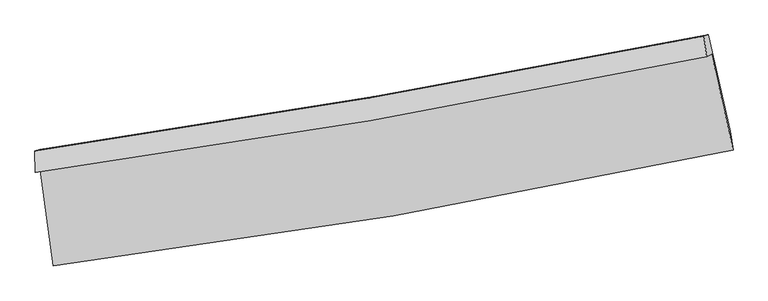
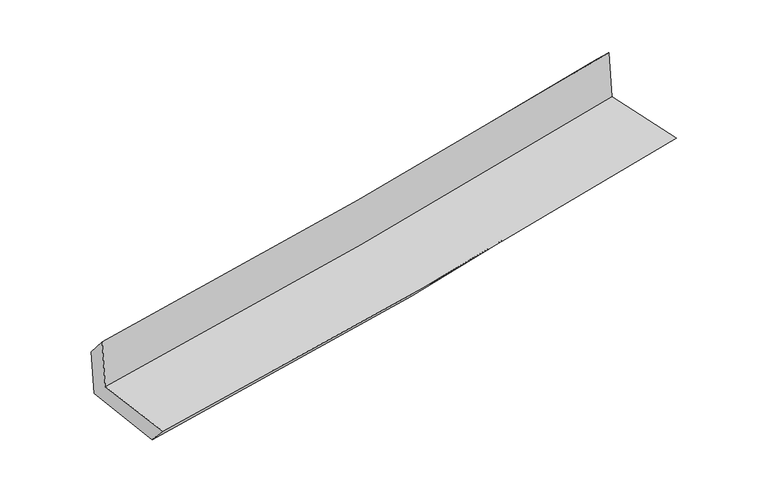
"""IFC4 building model written with IfcOpenShell, lengths in millimetres: proxy geometry."""

import ifcopenshell
import ifcopenshell.guid

model = None  # the IFC model being written
_history = None  # IfcOwnerHistory: only IFC2X3 demands one
_inside = {}  # id of a spatial element -> (the spatial element, [elements in it])
_under = {}  # id of a project, library or spatial element -> (it, [spatial elements below it])
_declared = {}  # id of a project -> (the project, [libraries it declares])
_typed = {}  # id of a type object -> (the type object, [elements of that type])
_made_of = {}  # id of a material, layer set ... -> (it, [elements and type objects made of it])


def new_model(schema):
    """Start an empty IFC model of exactly this schema.

    Asked for "IFC4X3", IfcOpenShell would pick the latest addendum, in which some entities
    have other attributes; the version numbers below select the first issue.
    IFC2X3 requires an IfcOwnerHistory on every rooted entity: one is made here for all.
    """
    global model, _history
    if schema == "IFC4X3":
        model = ifcopenshell.file(schema_version=(4, 3, 0, 0))
    else:
        model = ifcopenshell.file(schema=schema)
    _inside.clear()
    _under.clear()
    _declared.clear()
    _typed.clear()
    _made_of.clear()
    _history = None
    if model.schema == "IFC2X3":
        org = make("IfcOrganization", Name="unknown")
        user = make(
            "IfcPersonAndOrganization",
            ThePerson=make("IfcPerson", FamilyName="unknown"),
            TheOrganization=org,
        )
        app = make(
            "IfcApplication",
            ApplicationDeveloper=org,
            Version="unknown",
            ApplicationFullName="unknown",
            ApplicationIdentifier="unknown",
        )
        _history = make(
            "IfcOwnerHistory",
            OwningUser=user,
            OwningApplication=app,
            ChangeAction="ADDED",
            CreationDate=0,
        )
    return model


def make(cls, **values):
    """One entity of the class cls with the attributes given. An attribute that is None is left unset."""
    return model.create_entity(
        cls, **{name: value for name, value in values.items() if value is not None}
    )


def rooted(cls, **values):
    """An entity with a GlobalId (a new one), such as an element, a storey or a relation."""
    return make(cls, GlobalId=ifcopenshell.guid.new(), OwnerHistory=_history, **values)


def si_unit(unit_type, name, prefix=None):
    """IfcSIUnit, for example si_unit("LENGTHUNIT", "METRE", prefix="MILLI")."""
    return make("IfcSIUnit", UnitType=unit_type, Prefix=prefix, Name=name)


def assignment(units):
    """IfcUnitAssignment: the units of a project."""
    return None if units is None else make("IfcUnitAssignment", Units=units)


def point(xyz):
    """IfcCartesianPoint."""
    return None if xyz is None else make("IfcCartesianPoint", Coordinates=xyz)


def direction(xyz):
    """IfcDirection."""
    return None if xyz is None else make("IfcDirection", DirectionRatios=xyz)


def frame(location, z_axis=None, x_axis=None):
    """IfcAxis2Placement3D, a coordinate frame: its origin and axes. An axis left out is left unset."""
    return make(
        "IfcAxis2Placement3D",
        Location=point(location),
        Axis=direction(z_axis),
        RefDirection=direction(x_axis),
    )


def origin():
    """The frame at (0, 0, 0) with its axes left unset."""
    return frame((0.0, 0.0, 0.0))


def place(relative_to, where):
    """IfcLocalPlacement: puts the frame where relative to a parent placement (None: the world)."""
    return make(
        "IfcLocalPlacement", PlacementRelTo=relative_to, RelativePlacement=where
    )


def context(
    kind, dimensions, precision=None, world=None, true_north=None, identifier=None
):
    """IfcGeometricRepresentationContext, for example the 3D "Model" context."""
    return make(
        "IfcGeometricRepresentationContext",
        ContextIdentifier=identifier,
        ContextType=kind,
        CoordinateSpaceDimension=dimensions,
        Precision=precision,
        WorldCoordinateSystem=world,
        TrueNorth=true_north,
    )


def project(units=None, contexts=None):
    """IfcProject with its units and contexts."""
    return rooted(
        "IfcProject",
        Name="project",
        RepresentationContexts=contexts,
        UnitsInContext=assignment(units),
    )


def spatial(cls, under=None, at=None, **own):
    """A site, building, storey or space (cls), placed at a placement, below another one or the project."""
    s = rooted(cls, ObjectPlacement=at, **own)
    if under is not None:
        _under.setdefault(under.id(), (under, []))[1].append(s)
    return s


def shape(context_of_items, identifier, shape_type, items):
    """IfcShapeRepresentation: the items that make up one representation, for example the "Body"."""
    return make(
        "IfcShapeRepresentation",
        ContextOfItems=context_of_items,
        RepresentationIdentifier=identifier,
        RepresentationType=shape_type,
        Items=items,
    )


def source(mapping_origin, context_of_items, identifier, shape_type, items):
    """IfcRepresentationMap: a shape defined once, which mapped items show again and again."""
    return make(
        "IfcRepresentationMap",
        MappingOrigin=mapping_origin,
        MappedRepresentation=shape(context_of_items, identifier, shape_type, items),
    )


def transform(
    local_origin,
    x_axis=None,
    y_axis=None,
    z_axis=None,
    scale=None,
    scale2=None,
    scale3=None,
    uniform=True,
):
    """IfcCartesianTransformationOperator3D, or its non-uniform kind. x_axis, y_axis, z_axis: its Axis1, 2, 3."""
    if uniform:
        return make(
            "IfcCartesianTransformationOperator3D",
            Axis1=direction(x_axis),
            Axis2=direction(y_axis),
            LocalOrigin=point(local_origin),
            Scale=scale,
            Axis3=direction(z_axis),
        )
    return make(
        "IfcCartesianTransformationOperator3DnonUniform",
        Axis1=direction(x_axis),
        Axis2=direction(y_axis),
        LocalOrigin=point(local_origin),
        Scale=scale,
        Axis3=direction(z_axis),
        Scale2=scale2,
        Scale3=scale3,
    )


def mapped(mapping_source, mapping_target):
    """IfcMappedItem: shows the shape of a source again, moved by a transform."""
    return make(
        "IfcMappedItem", MappingSource=mapping_source, MappingTarget=mapping_target
    )


def made_of(thing, what):
    """Note that an element or type object is made of a material, layer set ...; save() writes the relation."""
    if what is not None:
        _made_of.setdefault(what.id(), (what, []))[1].append(thing)
    return thing


def element(
    cls,
    number,
    at=None,
    inside=None,
    cuts=None,
    type_object=None,
    material=None,
    context=None,
    identifier="Body",
    shape_type=None,
    held_by="IfcProductDefinitionShape",
    body=None,
    shapes=None,
    **own,
):
    """One element of the class cls, such as IfcWall. Its Tag is "e" and its number.

    at: its placement. inside: the storey or other place that contains it. cuts: it is an
    opening in that element (IfcRelVoidsElement). A single representation is given by context,
    identifier, shape_type and body (its items); several are given by shapes. held_by: the class
    of the entity that holds the representations. save() writes the other relations.
    """
    e = rooted(cls, Tag="e%d" % number, ObjectPlacement=at, **own)
    if body is not None:
        shapes = [shape(context, identifier, shape_type, body)]
    if shapes is not None:
        e.Representation = make(held_by, Representations=shapes)
    if inside is not None:
        _inside.setdefault(inside.id(), (inside, []))[1].append(e)
    if cuts is not None:
        rooted(
            "IfcRelVoidsElement", RelatingBuildingElement=cuts, RelatedOpeningElement=e
        )
    if type_object is not None:
        _typed.setdefault(type_object.id(), (type_object, []))[1].append(e)
    return made_of(e, material)


def aggregate(whole, parts):
    """IfcRelAggregates: a whole, such as a stair, and the parts it consists of."""
    return rooted("IfcRelAggregates", RelatingObject=whole, RelatedObjects=parts)


def save(model, path):
    """Write the relations noted so far, then the file.

    IfcRelAggregates (storeys below a building ...), IfcRelContainedInSpatialStructure (elements
    in a storey), IfcRelDefinesByType, IfcRelAssociatesMaterial and IfcRelDeclares: one each for
    every whole, place, type object, material and project.
    """
    for whole, parts in _under.values():
        aggregate(whole, parts)
    for where, things in _inside.values():
        rooted(
            "IfcRelContainedInSpatialStructure",
            RelatedElements=things,
            RelatingStructure=where,
        )
    for kind, things in _typed.values():
        rooted("IfcRelDefinesByType", RelatedObjects=things, RelatingType=kind)
    for what, things in _made_of.values():
        rooted("IfcRelAssociatesMaterial", RelatedObjects=things, RelatingMaterial=what)
    for by, libraries in _declared.values():
        rooted("IfcRelDeclares", RelatingContext=by, RelatedDefinitions=libraries)
    model.write(path)


def plane_surface(at):
    """IfcPlane: the flat surface through the origin of the frame at, square to its z axis."""
    return make("IfcPlane", Position=at)


def spline_curve(degree, points, multiplicities, knots, weights=None):
    """IfcBSplineCurveWithKnots; with weights, IfcRationalBSplineCurveWithKnots."""
    own = dict(
        Degree=degree,
        ControlPointsList=[point(p) for p in points],
        CurveForm="UNSPECIFIED",
        ClosedCurve=False,
        SelfIntersect=False,
        KnotMultiplicities=multiplicities,
        Knots=knots,
        KnotSpec="UNSPECIFIED",
    )
    if weights is None:
        return make("IfcBSplineCurveWithKnots", **own)
    return make("IfcRationalBSplineCurveWithKnots", WeightsData=weights, **own)


def spline_surface(u_degree, v_degree, points, u_multiplicities, v_multiplicities, u_knots, v_knots, weights=None):
    """IfcBSplineSurfaceWithKnots; with weights, IfcRationalBSplineSurfaceWithKnots. points: one row for each step in u."""
    own = dict(
        UDegree=u_degree,
        VDegree=v_degree,
        ControlPointsList=[[point(p) for p in row] for row in points],
        SurfaceForm="UNSPECIFIED",
        UClosed=False,
        VClosed=False,
        SelfIntersect=False,
        UMultiplicities=u_multiplicities,
        VMultiplicities=v_multiplicities,
        UKnots=u_knots,
        VKnots=v_knots,
        KnotSpec="UNSPECIFIED",
    )
    if weights is None:
        return make("IfcBSplineSurfaceWithKnots", **own)
    return make("IfcRationalBSplineSurfaceWithKnots", WeightsData=weights, **own)


def advanced_brep(points, edges, surfaces, faces):
    """IfcAdvancedBrep: a solid bounded by faces that lie on surfaces and meet in shared edges.

    An edge is (start, end): straight between two places in points (the first is 0);
    or (start, end, curve); or (start, end, curve, False) where it runs against its curve.
    A face is (place in surfaces, loops), or (place, loops, False) where it looks against
    its surface's normal. A loop lists edges by number (the first is 1), with a minus sign
    where the edge is run from its end to its start. The first loop is the outer one.
    """
    corners = [point(p) for p in points]
    vertices = [make("IfcVertexPoint", VertexGeometry=c) for c in corners]
    made = []
    for start, end, *more in edges:
        made.append(
            make(
                "IfcEdgeCurve",
                EdgeStart=vertices[start],
                EdgeEnd=vertices[end],
                EdgeGeometry=more[0] if more else make("IfcPolyline", Points=[corners[start], corners[end]]),
                SameSense=more[1] if len(more) > 1 else True,
            )
        )
    hull = []
    for where, loops, *sense in faces:
        bounds = []
        for j, loop in enumerate(loops):
            ring = [make("IfcOrientedEdge", EdgeElement=made[abs(k) - 1], Orientation=k > 0) for k in loop]
            bounds.append(
                make(
                    "IfcFaceOuterBound" if j == 0 else "IfcFaceBound",
                    Bound=make("IfcEdgeLoop", EdgeList=ring),
                    Orientation=True,
                )
            )
        hull.append(make("IfcAdvancedFace", Bounds=bounds, FaceSurface=surfaces[where], SameSense=sense[0] if sense else True))
    return make("IfcAdvancedBrep", Outer=make("IfcClosedShell", CfsFaces=hull))


def generic_models_c83c44bc(model_context):
    return source(origin(), model_context, "Body", "AdvancedBrep", [
        advanced_brep(
        [(-2322.3265664, -1880.0519827, 1696.6699696), (-2233.914282, -2535.9224996, 1681.8875764), (2412.7370594, -1742.8735145, 2100.7664573), (2265.5061311, -1087.3079647, 2110.5749951), (-2356.5751259, -1896.0278086, 2107.4367277), (2232.0160419, -1102.9021471, 2511.0799835), (-2360.4972323, -1747.7108395, 1929.2705232), (2213.2148517, -962.8698826, 2376.1579727), (-2328.7046871, -1738.5188624, 1556.4172596), (2244.2566561, -953.9535675, 2018.3222463), (-2238.4378068, -2396.0854912, 1523.2330185), (2393.5515677, -1611.0515476, 1989.8599423)],
        [
            (0, 1),
            (1, 2, spline_curve(3, [(-2233.914282, -2535.9224996, 1681.8875764), (-1456.429641489, -2438.591242221, 1753.898702395), (-682.025226178, -2324.176002469, 1824.674217379), (866.908962595, -2060.105923076, 1964.320731862), (1641.388327781, -1910.17150084, 2033.17151066), (2412.7370594, -1742.8735145, 2100.7664573)], [4, 2, 4], [0.0, 7.685887283805083, 15.434409732792407])),
            (2, 3),
            (3, 0, spline_curve(3, [(2265.5061311, -1087.3079647, 2110.5749951), (1502.267224426, -1247.621136394, 2043.904691783), (736.767733224, -1394.051703269, 1975.93221755), (-792.546231838, -1658.076176553, 1837.942908502), (-1556.324306387, -1775.893615529, 1767.947041095), (-2322.3265664, -1880.0519827, 1696.6699696)], [4, 2, 4], [0.0, 7.748522448987324, 15.434409732792407])),
            (4, 0),
            (3, 5),
            (5, 4, spline_curve(3, [(2232.0160419, -1102.9021471, 2511.0799835), (1468.662150561, -1263.27242573, 2445.964840375), (703.041680222, -1409.763492366, 2379.628892867), (-826.52520465, -1673.915234779, 2245.061483997), (-1590.435123658, -1791.799388574, 2176.849679618), (-2356.5751259, -1896.0278086, 2107.4367277)], [4, 2, 4], [0.0, 7.700095784721111, 15.337947861100368])),
            (6, 4),
            (5, 7),
            (7, 6, spline_curve(3, [(2213.2148517, -962.8698826, 2376.1579727), (1450.789009162, -1113.538706557, 2302.438042703), (686.880687799, -1254.502724153, 2228.184170574), (-837.713877051, -1515.960113084, 2079.213090164), (-1598.376250685, -1636.609747624, 2004.504478808), (-2360.4972323, -1747.7108395, 1929.2705232)], [4, 2, 4], [0.0, 7.6896022817952066, 15.317045679457745])),
            (8, 6),
            (7, 9),
            (9, 8, spline_curve(3, [(2244.2566561, -953.9535675, 2018.3222463), (1483.255889449, -1104.207258547, 1927.103389585), (720.120285144, -1244.941393414, 1842.873921979), (-804.23453691, -1506.309877811, 1689.018133641), (-1565.4193805, -1627.097507929, 1619.279272669), (-2328.7046871, -1738.5188624, 1556.4172596)], [4, 2, 4], [0.0, 7.679934845428454, 15.297788953426105])),
            (10, 8),
            (9, 11),
            (11, 10, spline_curve(3, [(2393.5515677, -1611.0515476, 1989.8599423), (1624.433537448, -1768.354557268, 1897.571666648), (852.296763945, -1912.638419483, 1812.412964037), (-691.748300932, -2174.106770867, 1656.985454066), (-1463.60798571, -2291.500889938, 1586.601848699), (-2238.4378068, -2396.0854912, 1523.2330185)], [4, 2, 4], [0.0, 7.729291566167446, 15.396103419954132])),
            (1, 10),
            (11, 2),
        ],
        [
            spline_surface(3, 3, [[(-2322.3265664, -1880.0519827, 1696.6699696), (-1556.324306344, -1775.893615537, 1767.947041024), (-792.5462318, -1658.076176464, 1837.94290856), (736.767733185, -1394.051703358, 1975.932217491), (1502.267224471, -1247.62113641, 2043.904691801), (2265.5061311, -1087.3079647, 2110.5749951)], [(-2292.855804935, -2098.675488332, 1691.742505213), (-1523.026084717, -1996.792824422, 1763.264261466), (-755.705896588, -1880.109451857, 1833.520011457), (780.148143018, -1616.069776587, 1972.06172228), (1548.640925599, -1468.471257898, 2040.326964737), (2314.583107202, -1305.829814636, 2107.305482519)], [(-2263.385043465, -2317.298993968, 1686.815040787), (-1489.727863083, -2217.69203331, 1758.581481871), (-718.865561428, -2102.142727179, 1829.097114421), (823.528552799, -1838.087849743, 1968.191227134), (1595.014626721, -1689.321379377, 2036.749237615), (2363.660083298, -1524.351664564, 2104.035969881)], [(-2233.914282, -2535.9224996, 1681.8875764), (-1456.429641455, -2438.591242195, 1753.898702314), (-682.025226216, -2324.176002573, 1824.674217319), (866.908962633, -2060.105922972, 1964.320731923), (1641.388327849, -1910.171500865, 2033.17151055), (2412.7370594, -1742.8735145, 2100.7664573)]], [4, 4], [4, 2, 4], [0.0, 2.2210860860981967], [0.0, 7.685887283805083, 15.434409732792407]),
            spline_surface(3, 3, [[(-2356.5751259, -1896.0278086, 2107.4367277), (-1590.43512368, -1791.799388448, 2176.849679506), (-826.525204686, -1673.915234696, 2245.061483983), (703.041680259, -1409.763492449, 2379.628892881), (1468.662150509, -1263.272425699, 2445.964840345), (2232.0160419, -1102.9021471, 2511.0799835)], [(-2345.158939406, -1890.702533287, 1970.514474979), (-1579.064851241, -1786.497464131, 2040.548799991), (-815.198880405, -1668.635548599, 2109.355292192), (714.283697886, -1404.526229399, 2245.063334434), (1479.863841813, -1258.055329266, 2311.944790808), (2243.17940495, -1097.704086297, 2377.578320677)], [(-2333.742752894, -1885.377258013, 1833.592222321), (-1567.694578783, -1781.195539854, 1904.247920539), (-803.87255608, -1663.355862561, 1973.649100351), (725.525715558, -1399.288966408, 2110.497775938), (1491.065533167, -1252.838232843, 2177.924741339), (2254.34276805, -1092.506025503, 2244.076657923)], [(-2322.3265664, -1880.0519827, 1696.6699696), (-1556.324306344, -1775.893615537, 1767.947041024), (-792.5462318, -1658.076176464, 1837.94290856), (736.767733185, -1394.051703358, 1975.932217491), (1502.267224471, -1247.62113641, 2043.904691801), (2265.5061311, -1087.3079647, 2110.5749951)]], [4, 4], [4, 2, 4], [0.0, 1.3356639603549783], [0.0, 7.637852076379256, 15.337947861100368]),
            spline_surface(3, 3, [[(-2360.4972323, -1747.7108395, 1929.2705232), (-1598.376250564, -1636.609747743, 2004.504478931), (-837.713877131, -1515.960113061, 2079.213090118), (686.880687879, -1254.502724176, 2228.18417062), (1450.78900914, -1113.538706576, 2302.438042623), (2213.2148517, -962.8698826, 2376.1579727)], [(-2359.189863503, -1797.149829188, 1988.659258049), (-1595.729208273, -1688.339627966, 2061.952879139), (-833.984319634, -1568.611820279, 2134.49588806), (692.267685355, -1306.256313607, 2278.665744694), (1456.746722951, -1163.449946281, 2350.280308553), (2219.481915121, -1009.547304098, 2421.131976323)], [(-2357.882494697, -1846.588818912, 2048.047992851), (-1593.082165971, -1740.069508225, 2119.401279299), (-830.254762184, -1621.263527478, 2189.778686041), (697.654682783, -1358.009903018, 2329.147318807), (1462.704436698, -1213.361185993, 2398.122574415), (2225.748978479, -1056.224725602, 2466.105979877)], [(-2356.5751259, -1896.0278086, 2107.4367277), (-1590.43512368, -1791.799388448, 2176.849679506), (-826.525204686, -1673.915234696, 2245.061483983), (703.041680259, -1409.763492449, 2379.628892881), (1468.662150509, -1263.272425699, 2445.964840345), (2232.0160419, -1102.9021471, 2511.0799835)]], [4, 4], [4, 2, 4], [0.0, 0.7325924379231494], [0.0, 7.627443397662539, 15.317045679457745]),
            spline_surface(3, 3, [[(-2328.7046871, -1738.5188624, 1556.4172596), (-1565.419380379, -1627.097507882, 1619.2792726), (-804.234536946, -1506.309877802, 1689.018133715), (720.120285181, -1244.941393424, 1842.873921905), (1483.255889527, -1104.207258541, 1927.103389687), (2244.2566561, -953.9535675, 2018.3222463)], [(-2339.302202181, -1741.582854766, 1680.701680791), (-1576.405003789, -1630.268254502, 1747.687674702), (-815.394317022, -1509.526622905, 1819.083119204), (709.040419399, -1248.128503691, 1971.310671498), (1472.43359606, -1107.317741212, 2052.214940643), (2233.909387962, -956.925672526, 2137.600821744)], [(-2349.899717219, -1744.646847134, 1804.986102009), (-1587.390627155, -1633.439001123, 1876.09607683), (-826.554097055, -1512.743367958, 1949.148104629), (697.960553661, -1251.315613909, 2099.747421027), (1461.611302607, -1110.428223905, 2177.326491667), (2223.562119838, -959.897777574, 2256.879397256)], [(-2360.4972323, -1747.7108395, 1929.2705232), (-1598.376250564, -1636.609747743, 2004.504478931), (-837.713877131, -1515.960113061, 2079.213090118), (686.880687879, -1254.502724176, 2228.18417062), (1450.78900914, -1113.538706576, 2302.438042623), (2213.2148517, -962.8698826, 2376.1579727)]], [4, 4], [4, 2, 4], [0.0, 1.2771761220743325], [0.0, 7.617854107997651, 15.297788953426105]),
            spline_surface(3, 3, [[(-2238.4378068, -2396.0854912, 1523.2330185), (-1463.607985704, -2291.500889894, 1586.601848574), (-691.748300954, -2174.106770868, 1656.98545404), (852.296763967, -1912.638419482, 1812.412964064), (1624.433537381, -1768.354557268, 1897.571666521), (2393.5515677, -1611.0515476, 1989.8599423)], [(-2268.526766875, -2176.896614956, 1534.294432206), (-1497.545117238, -2070.033095913, 1597.494323256), (-729.243712951, -1951.507806497, 1667.663013914), (808.237937705, -1690.072744113, 1822.56661666), (1577.37432143, -1546.972124361, 1907.415574246), (2343.786597167, -1392.018887568, 1999.34737697)], [(-2298.615727025, -1957.707738644, 1545.355845894), (-1531.482248846, -1848.565301863, 1608.386797919), (-766.739124948, -1728.908842174, 1678.340573841), (764.179111443, -1467.507068793, 1832.720269309), (1530.315105479, -1325.589691449, 1917.259481962), (2294.021626633, -1172.986227532, 2008.83481163)], [(-2328.7046871, -1738.5188624, 1556.4172596), (-1565.419380379, -1627.097507882, 1619.2792726), (-804.234536946, -1506.309877802, 1689.018133715), (720.120285181, -1244.941393424, 1842.873921905), (1483.255889527, -1104.207258541, 1927.103389687), (2244.2566561, -953.9535675, 2018.3222463)]], [4, 4], [4, 2, 4], [0.0, 2.2296335520195303], [0.0, 7.666811853786686, 15.396103419954132]),
            spline_surface(3, 3, [[(-2233.914282, -2535.9224996, 1681.8875764), (-1456.429641455, -2438.591242195, 1753.898702314), (-682.025226216, -2324.176002573, 1824.674217319), (866.908962633, -2060.105922972, 1964.320731923), (1641.388327849, -1910.171500865, 2033.17151055), (2412.7370594, -1742.8735145, 2100.7664573)], [(-2235.422123598, -2489.31016347, 1629.002723762), (-1458.82242287, -2389.561124765, 1698.133084396), (-685.266251132, -2274.152925326, 1768.777962908), (862.03822974, -2010.950088464, 1913.684809318), (1635.736731024, -1862.899186342, 1987.97156254), (2406.341895497, -1698.932858875, 2063.797618967)], [(-2236.929965202, -2442.69782733, 1576.117871138), (-1461.21520429, -2340.531007324, 1642.367466492), (-688.507276038, -2224.129848115, 1712.881708452), (857.167496859, -1961.79425399, 1863.048886669), (1630.085134206, -1815.626871792, 1942.771614531), (2399.946731603, -1654.992203225, 2026.828780633)], [(-2238.4378068, -2396.0854912, 1523.2330185), (-1463.607985704, -2291.500889894, 1586.601848574), (-691.748300954, -2174.106770868, 1656.98545404), (852.296763967, -1912.638419482, 1812.412964064), (1624.433537381, -1768.354557268, 1897.571666521), (2393.5515677, -1611.0515476, 1989.8599423)]], [4, 4], [4, 2, 4], [0.0, 0.7172387858495968], [0.0, 7.724123108254114, 15.511192979700146]),
            plane_surface(frame((2293.5470513, -1243.493104, 2184.4602662), z_axis=(0.972046520160529, 0.2169656278259153, 0.08973003391235856), x_axis=(-0.08639756380560518, -0.02481646654702359, 0.9959516072363039))),
            plane_surface(frame((-2306.7426168, -2032.3862473, 1749.1525125), z_axis=(-0.9874997881471241, -0.13114571186856874, -0.08743552291758383), x_axis=(-0.13355979337670676, 0.9907891343329938, 0.022330984771127663))),
        ],
        [
            (0, [[1, 2, 3, 4]]),
            (1, [[5, -4, 6, 7]]),
            (2, [[8, -7, 9, 10]]),
            (3, [[11, -10, 12, 13]]),
            (4, [[14, -13, 15, 16]]),
            (5, [[17, -16, 18, -2]]),
            (6, [[-12, -9, -6, -3, -18, -15]]),
            (7, [[-1, -5, -8, -11, -14, -17]]),
        ],
    ),
    ])


if __name__ == "__main__":
    model = new_model("IFC4")
    model_context = context("Model", 3, world=origin())
    ifc_project = project(units=[si_unit("LENGTHUNIT", "METRE", prefix="MILLI")], contexts=[model_context])
    site = spatial("IfcSite", under=ifc_project)
    building = spatial("IfcBuilding", under=site)
    placement = place(None, origin())
    generic_models_shape = generic_models_c83c44bc(model_context)
    element("IfcBuildingElementProxy", 1, Name="Generic Models", at=placement, inside=building, context=model_context, shape_type="MappedRepresentation", body=[
        mapped(generic_models_shape, transform((0.0, 0.0, 0.0), x_axis=(1.0, 0.0, 0.0), y_axis=(0.0, 1.0, 0.0), z_axis=(0.0, 0.0, 1.0))),
    ])
    save(model, "model.ifc")
